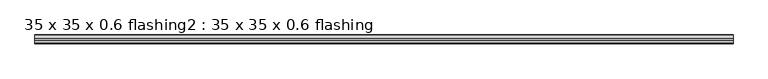
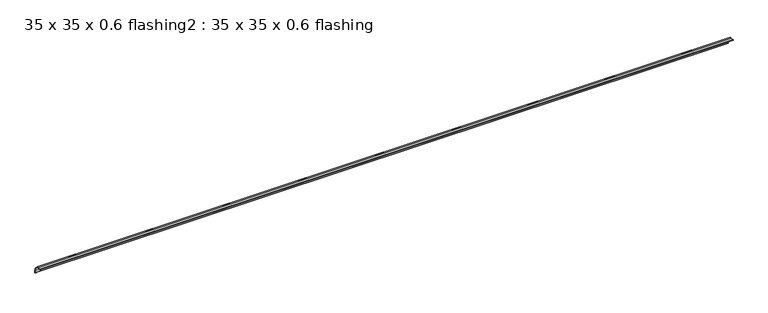
"""IFC4 building model written with IfcOpenShell, lengths in millimetres: proxy geometry, 35 x 35 x 0.6 flashing2 : 35 x 35 x 0.6 flashing."""

from ifc_helpers import new_model, si_unit, point, frame, frame_2d, origin, place, context, project, spatial, polyline, circle_curve, trimmed, segment, composite_curve, outline, extrude, source, transform, mapped, element, save


def proxy_35_x_35_x_0_6_flashing2_35_x_35_x_0_6_flashing_d982e228(model_context):
    return source(origin(), model_context, "Body", "SweptSolid", [
        extrude(outline(composite_curve([segment(polyline([(905.6461443, 1422.1787811), (905.6461443, 1437.7645676), (894.022008, 1449.3887038), (878.4362216, 1449.3887038)]), True, "CONTINUOUS"), segment(trimmed(circle_curve(frame_2d((878.4362216, 1450.3887038)), 1.0), [point((878.4362216, 1449.3887038))], [point((878.4362216, 1451.3887038))], False, "CARTESIAN"), True, "CONTINUOUS"), segment(polyline([(878.4362216, 1451.3887038), (887.468899, 1451.3887038), (887.468899, 1450.3887038), (894.4362216, 1450.3887038), (906.6461443, 1438.1787811), (906.6461443, 1431.2114585), (907.6461443, 1431.2114585), (907.6461443, 1422.1787811)]), True, "CONTINUOUS"), segment(trimmed(circle_curve(frame_2d((906.6461443, 1422.1787811)), 1.0), [point((907.6461443, 1422.1787811))], [point((905.6461443, 1422.1787811))], False, "CARTESIAN"), True, "CONTINUOUS")], self_intersect=False)), frame((-7919.6640929, 0.0, 0.0), z_axis=(1.0, 0.0, 0.0), x_axis=(0.0, 1.0, 0.0)), (0.0, 0.0, 1.0), 2410.6438934),
    ])


if __name__ == "__main__":
    model = new_model("IFC4")
    model_context = context("Model", 3, world=origin())
    ifc_project = project(units=[si_unit("LENGTHUNIT", "METRE", prefix="MILLI")], contexts=[model_context])
    site = spatial("IfcSite", under=ifc_project)
    building = spatial("IfcBuilding", under=site)
    placement = place(None, origin())
    proxy_35_x_35_x_0_6_flashing2_35_x_35_x_0_6_flashing_shape = proxy_35_x_35_x_0_6_flashing2_35_x_35_x_0_6_flashing_d982e228(model_context)
    element("IfcBuildingElementProxy", 1, Name="35 x 35 x 0.6 flashing2 : 35 x 35 x 0.6 flashing", ObjectType="35 x 35 x 0.6 flashing2 : 35 x 35 x 0.6 flashing", at=placement, inside=building, context=model_context, shape_type="MappedRepresentation", body=[
        mapped(proxy_35_x_35_x_0_6_flashing2_35_x_35_x_0_6_flashing_shape, transform((0.0, 0.0, 0.0), x_axis=(1.0, 0.0, 0.0), y_axis=(0.0, 1.0, 0.0), z_axis=(0.0, 0.0, 1.0))),
    ])
    save(model, "model.ifc")
